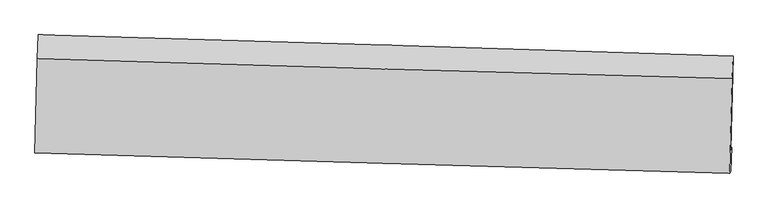
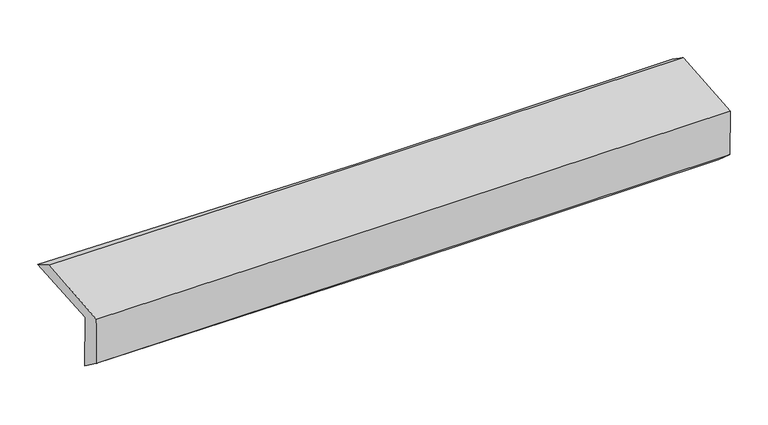
"""IFC4 building model written with IfcOpenShell, lengths in millimetres: proxy geometry."""

from ifc_helpers import new_model, si_unit, frame, origin, place, context, project, spatial, source, transform, mapped, element, save
from ifc_brep_helpers import plane_surface, spline_curve, spline_surface, advanced_brep


def generic_models_dab9bb89(model_context):
    return source(origin(), model_context, "Body", "AdvancedBrep", [
        advanced_brep(
        [(-2441.3478967, -1725.6441531, 1997.9905022), (-2424.6718196, -1060.6011736, 2026.852232), (2426.5105485, -1208.4259793, 2108.298692), (2409.4123059, -1865.9147015, 2079.7518769), (-2432.6676444, -1707.2995114, 1588.2822354), (2418.0403681, -1847.6818987, 1672.541003), (-2439.3440143, -1871.1238235, 1709.4359052), (2410.7406612, -2012.5085342, 1816.1644002), (-2447.2465935, -1887.1512002, 2083.3108777), (2402.9436463, -2028.321814, 2185.0450741), (-2431.0025928, -1227.2175307, 2127.1300485), (2420.0128221, -1367.9761666, 2218.8879316)],
        [
            (0, 1),
            (1, 2, spline_curve(3, [(-2424.6718196, -1060.6011736, 2026.852232), (-1612.486082571, -1083.558705356, 2025.721527881), (-800.463049944, -1107.410629907, 2032.001754099), (816.595079697, -1156.700184408, 2059.271710719), (1621.632836647, -1182.123195087, 2080.140304261), (2426.5105485, -1208.4259793, 2108.298692)], [4, 2, 4], [0.0, 7.995283026627552, 15.924952817604982])),
            (2, 3),
            (3, 0, spline_curve(3, [(2409.4123059, -1865.9147015, 2079.7518769), (1604.419177174, -1843.593954015, 2057.195740339), (799.358365262, -1820.79450979, 2039.113785861), (-817.560577637, -1774.04561483, 2011.785645832), (-1629.419833252, -1750.088209718, 2002.613808457), (-2441.3478967, -1725.6441531, 1997.9905022)], [4, 2, 4], [0.0, 7.92966979097743, 15.924952817604982])),
            (4, 0),
            (3, 5),
            (5, 4, spline_curve(3, [(2418.0403681, -1847.6818987, 1672.541003), (1613.073533325, -1825.305327305, 1648.738165067), (808.030235934, -1802.468612839, 1629.823887151), (-808.87116403, -1755.682129912, 1601.656396891), (-1620.730537629, -1731.724715323, 1592.484418826), (-2432.6676444, -1707.2995114, 1588.2822354)], [4, 2, 4], [0.0, 7.929091834939568, 15.923792123291571])),
            (6, 4),
            (5, 7),
            (7, 6, spline_curve(3, [(2410.7406612, -2012.5085342, 1816.1644002), (1605.684961626, -1990.372493409, 1797.71926989), (800.648566613, -1967.573699732, 1779.637803846), (-816.046646187, -1920.456475716, 1744.055595626), (-1627.705142713, -1896.127032664, 1726.560896862), (-2439.3440143, -1871.1238235, 1709.4359052)], [4, 2, 4], [0.0, 7.928833285488859, 15.923272885049364])),
            (8, 6),
            (7, 9),
            (9, 8, spline_curve(3, [(2402.9436463, -2028.321814, 2185.0450741), (1597.835237277, -2006.29267467, 2169.093663513), (792.763654056, -1983.565246445, 2152.676963574), (-823.967038009, -1936.519979075, 2118.773296746), (-1635.62553464, -1912.190535738, 2101.278597696), (-2447.2465935, -1887.1512002, 2083.3108777)], [4, 2, 4], [0.0, 7.928673985010856, 15.922952965977966])),
            (10, 8),
            (9, 11),
            (11, 10, spline_curve(3, [(2420.0128221, -1367.9761666, 2218.8879316), (1614.836410093, -1345.873777886, 2201.29016594), (809.662486163, -1323.143623216, 2184.8714198), (-807.342693246, -1276.234509879, 2154.26586645), (-1619.173907881, -1252.045119109, 2140.098651832), (-2431.0025928, -1227.2175307, 2127.1300485)], [4, 2, 4], [0.0, 7.929165803250869, 15.923940671957345])),
            (1, 10),
            (11, 2),
        ],
        [
            spline_surface(3, 3, [[(-2441.3478967, -1725.6441531, 1997.9905022), (-1629.419833195, -1750.088209769, 2002.613808508), (-817.560577607, -1774.045614889, 2011.78564573), (799.358365231, -1820.794509731, 2039.113785962), (1604.41917715, -1843.593954067, 2057.195740273), (2409.4123059, -1865.9147015, 2079.7518769)], [(-2435.789204334, -1503.963159932, 2007.611078802), (-1623.775249651, -1527.911708255, 2010.316381671), (-811.861401766, -1551.833953179, 2018.524348544), (805.103936743, -1599.429734631, 2045.833094167), (1610.157063638, -1623.103701088, 2064.843928302), (2415.111720081, -1646.751794107, 2089.267481928)], [(-2430.230511966, -1282.282166768, 2017.231655398), (-1618.130666105, -1305.735206744, 2018.018954828), (-806.16222589, -1329.62229153, 2025.263051393), (810.849508291, -1378.064959593, 2052.552402407), (1615.894950181, -1402.613448088, 2072.492116347), (2420.811134319, -1427.588886693, 2098.783086972)], [(-2424.6718196, -1060.6011736, 2026.852232), (-1612.486082561, -1083.55870523, 2025.72152799), (-800.46305005, -1107.410629821, 2032.001754206), (816.595079803, -1156.700184493, 2059.271710612), (1621.632836668, -1182.123195108, 2080.140304376), (2426.5105485, -1208.4259793, 2108.298692)]], [4, 4], [4, 2, 4], [0.0, 2.1847195952935574], [0.0, 7.995283026627552, 15.924952817604982]),
            spline_surface(3, 3, [[(-2432.6676444, -1707.2995114, 1588.2822354), (-1620.730537718, -1731.724715375, 1592.484418904), (-808.871164163, -1755.682129988, 1601.656396856), (808.030236066, -1802.468612763, 1629.823887186), (1613.073533357, -1825.305327264, 1648.738165113), (2418.0403681, -1847.6818987, 1672.541003)], [(-2435.561061847, -1713.414391944, 1724.851657666), (-1623.626969558, -1737.84588015, 1729.194215438), (-811.767635291, -1761.803291646, 1738.366146494), (805.139612474, -1808.57724511, 1766.253853459), (1610.18874796, -1831.401536188, 1784.890690188), (2415.164347372, -1853.759499623, 1808.277960989)], [(-2438.454479253, -1719.529272556, 1861.421079934), (-1626.523401356, -1743.967044994, 1865.904011974), (-814.664106478, -1767.924453231, 1875.075896091), (802.248988823, -1814.685877384, 1902.683819689), (1607.303962547, -1837.497745143, 1921.043215198), (2412.288326628, -1859.837100577, 1944.014918911)], [(-2441.3478967, -1725.6441531, 1997.9905022), (-1629.419833195, -1750.088209769, 2002.613808508), (-817.560577607, -1774.045614889, 2011.78564573), (799.358365231, -1820.794509731, 2039.113785962), (1604.41917715, -1843.593954067, 2057.195740273), (2409.4123059, -1865.9147015, 2079.7518769)]], [4, 4], [4, 2, 4], [0.0, 1.3458509098400748], [0.0, 7.9947002883520035, 15.923792123291571]),
            spline_surface(3, 3, [[(-2439.3440143, -1871.1238235, 1709.4359052), (-1627.70514274, -1896.12703277, 1726.560896821), (-816.0466461, -1920.456475835, 1744.055595684), (800.648566527, -1967.573699613, 1779.637803789), (1605.684961703, -1990.372493415, 1797.71926992), (2410.7406612, -2012.5085342, 1816.1644002)], [(-2437.118557648, -1816.515719497, 1669.051348601), (-1625.380274381, -1841.326260336, 1681.868737516), (-813.654818793, -1865.531693876, 1696.589196064), (803.109123034, -1912.538670653, 1729.699831577), (1608.147818925, -1935.350104705, 1748.058901643), (2413.173896837, -1957.566322374, 1768.289934459)], [(-2434.893101052, -1761.907615403, 1628.666791999), (-1623.055406077, -1786.525487809, 1637.176578209), (-811.26299147, -1810.606911947, 1649.122796476), (805.569679558, -1857.503641724, 1679.761859397), (1610.610676135, -1880.327715974, 1698.39853339), (2415.607132463, -1902.624110526, 1720.415468741)], [(-2432.6676444, -1707.2995114, 1588.2822354), (-1620.730537718, -1731.724715375, 1592.484418904), (-808.871164163, -1755.682129988, 1601.656396856), (808.030236066, -1802.468612763, 1629.823887186), (1613.073533357, -1825.305327264, 1648.738165113), (2418.0403681, -1847.6818987, 1672.541003)]], [4, 4], [4, 2, 4], [0.0, 0.7232429387362892], [0.0, 7.994439599560505, 15.923272885049364]),
            spline_surface(3, 3, [[(-2447.2465935, -1887.1512002, 2083.3108777), (-1635.625534656, -1912.190535791, 2101.278597815), (-823.967037915, -1936.519978956, 2118.773296678), (792.763653963, -1983.565246563, 2152.676963641), (1597.835237157, -2006.29267469, 2169.093663583), (2402.9436463, -2028.321814, 2185.0450741)], [(-2444.612400455, -1881.808741267, 1958.685886855), (-1632.985404039, -1906.836034751, 1976.372697472), (-821.326907299, -1931.165477916, 1993.867396335), (795.391958162, -1978.234730913, 2028.330577012), (1600.451811992, -2000.985947595, 2045.302199022), (2405.542651253, -2023.05072073, 2062.08484946)], [(-2441.978207345, -1876.466282433, 1834.060896045), (-1630.345273357, -1901.48153381, 1851.466797164), (-818.686776716, -1925.810976875, 1868.961496027), (798.020262328, -1972.904215262, 1903.984190418), (1603.068386868, -1995.67922051, 1921.510734481), (2408.141656247, -2017.77962747, 1939.12462484)], [(-2439.3440143, -1871.1238235, 1709.4359052), (-1627.70514274, -1896.12703277, 1726.560896821), (-816.0466461, -1920.456475835, 1744.055595684), (800.648566527, -1967.573699613, 1779.637803789), (1605.684961703, -1990.372493415, 1797.71926992), (2410.7406612, -2012.5085342, 1816.1644002)]], [4, 4], [4, 2, 4], [0.0, 1.228058146929551], [0.0, 7.994278980967111, 15.922952965977966]),
            spline_surface(3, 3, [[(-2431.0025928, -1227.2175307, 2127.1300485), (-1619.173907775, -1252.045119027, 2140.098651789), (-807.342693369, -1276.234509767, 2154.265866576), (809.662486284, -1323.143623327, 2184.871419675), (1614.836410163, -1345.87377787, 2201.290165934), (2420.0128221, -1367.9761666, 2218.8879316)], [(-2436.417259682, -1447.195420542, 2112.52365824), (-1624.657783383, -1472.09359129, 2127.158633804), (-812.884141567, -1496.329666159, 2142.435009946), (804.029542161, -1543.284164402, 2174.139934332), (1609.169352504, -1566.013410131, 2190.557998495), (2414.323096843, -1588.091382387, 2207.606979111)], [(-2441.831926618, -1667.173310358, 2097.91726796), (-1630.141659047, -1692.142063528, 2114.218615799), (-818.425589718, -1716.424822563, 2130.604153308), (798.396598085, -1763.424705488, 2163.408448983), (1603.502294815, -1786.15304243, 2179.825831022), (2408.633371557, -1808.206598213, 2196.326026589)], [(-2447.2465935, -1887.1512002, 2083.3108777), (-1635.625534656, -1912.190535791, 2101.278597815), (-823.967037915, -1936.519978956, 2118.773296678), (792.763653963, -1983.565246563, 2152.676963641), (1597.835237157, -2006.29267469, 2169.093663583), (2402.9436463, -2028.321814, 2185.0450741)]], [4, 4], [4, 2, 4], [0.0, 2.170054952755367], [0.0, 7.994774868706476, 15.923940671957345]),
            spline_surface(3, 3, [[(-2424.6718196, -1060.6011736, 2026.852232), (-1612.486082561, -1083.55870523, 2025.72152799), (-800.46305005, -1107.410629821, 2032.001754206), (816.595079803, -1156.700184493, 2059.271710612), (1621.632836668, -1182.123195108, 2080.140304376), (2426.5105485, -1208.4259793, 2108.298692)], [(-2426.782077334, -1116.139959318, 2060.278170836), (-1614.715357632, -1139.72084318, 2063.847235926), (-802.756264487, -1163.685256479, 2072.756458347), (814.284215299, -1212.181330781, 2101.138280317), (1619.367361179, -1236.706722708, 2120.523591549), (2424.344639712, -1261.609375079, 2145.161771853)], [(-2428.892335066, -1171.678744982, 2093.704109664), (-1616.944632703, -1195.882981077, 2101.972943853), (-805.049478931, -1219.959883108, 2113.511162436), (811.973350788, -1267.662477039, 2143.00484997), (1617.101885652, -1291.29025027, 2160.906878762), (2422.178730888, -1314.792770821, 2182.024851747)], [(-2431.0025928, -1227.2175307, 2127.1300485), (-1619.173907775, -1252.045119027, 2140.098651789), (-807.342693369, -1276.234509767, 2154.265866576), (809.662486284, -1323.143623327, 2184.871419675), (1614.836410163, -1345.87377787, 2201.290165934), (2420.0128221, -1367.9761666, 2218.8879316)]], [4, 4], [4, 2, 4], [0.0, 0.6843334370386758], [0.0, 7.995544440926779, 15.925473500908772]),
            plane_surface(frame((2414.6100587, -1721.8048491, 2013.448163), z_axis=(0.9994396907719155, -0.026858026254083022, 0.01997375616835906), x_axis=(0.021112854792571505, 0.042819397733784396, -0.9988597231544697))),
            plane_surface(frame((-2436.0467602, -1579.8395654, 1922.1669668), z_axis=(-0.9994633850063186, 0.025930305903651633, -0.0200140267676071), x_axis=(-0.02504374960381542, -0.9987462732913996, -0.04334388298620999))),
        ],
        [
            (0, [[1, 2, 3, 4]]),
            (1, [[5, -4, 6, 7]]),
            (2, [[8, -7, 9, 10]]),
            (3, [[11, -10, 12, 13]]),
            (4, [[14, -13, 15, 16]]),
            (5, [[17, -16, 18, -2]]),
            (6, [[-12, -9, -6, -3, -18, -15]]),
            (7, [[-1, -5, -8, -11, -14, -17]]),
        ],
    ),
    ])


if __name__ == "__main__":
    model = new_model("IFC4")
    model_context = context("Model", 3, world=origin())
    ifc_project = project(units=[si_unit("LENGTHUNIT", "METRE", prefix="MILLI")], contexts=[model_context])
    site = spatial("IfcSite", under=ifc_project)
    building = spatial("IfcBuilding", under=site)
    placement = place(None, origin())
    generic_models_shape = generic_models_dab9bb89(model_context)
    element("IfcBuildingElementProxy", 1, Name="Generic Models", at=placement, inside=building, context=model_context, shape_type="MappedRepresentation", body=[
        mapped(generic_models_shape, transform((0.0, 0.0, 0.0), x_axis=(1.0, 0.0, 0.0), y_axis=(0.0, 1.0, 0.0), z_axis=(0.0, 0.0, 1.0))),
    ])
    save(model, "model.ifc")
